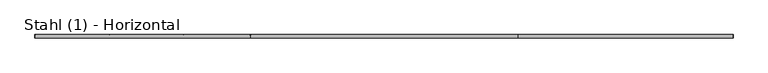
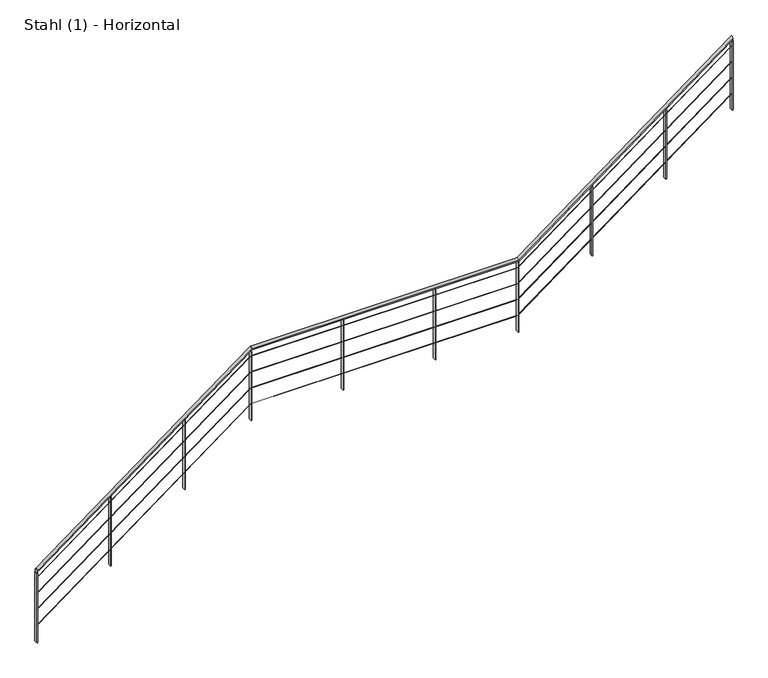
"""IFC4 building model written with IfcOpenShell, lengths in millimetres: railing geometry, Stahl (1) - Horizontal."""

from ifc_helpers import new_model, si_unit, frame, origin, place, context, project, spatial, polyline, ellipse_curve, outline, extrude, source, transform, mapped, element, save
from ifc_brep_helpers import plane_surface, cylinder_surface, advanced_brep


def stahl_1_horizontal_beeb22d8(model_context):
    return source(origin(), model_context, "Body", "SolidModel", [
        advanced_brep(
        [(-13549.4078582, 4913.8929131, 4785.0587002), (-13549.4078582, 4873.8929131, 4785.0587002), (-10992.7761137, 4913.8929131, 6690.0), (-10992.7761137, 4873.8929131, 6690.0), (-7819.9089492, 4913.8929131, 6690.0), (-7819.9089492, 4873.8929131, 6690.0), (-5276.5406936, 4913.8929131, 8585.0587002), (-5276.5406936, 4873.8929131, 8585.0587002)],
        [
            (0, 1, ellipse_curve(frame((-13549.4078582, 4893.8929131, 4785.0587002), z_axis=(-1.0, 0.0, 0.0), x_axis=(0.0, 0.0, -1.0)), 24.9412998, 20.0)),
            (1, 0, ellipse_curve(frame((-13549.4078582, 4893.8929131, 4785.0587002), z_axis=(-1.0, 0.0, 0.0), x_axis=(0.0, 0.0, -1.0)), 24.9412998, 20.0)),
            (0, 2),
            (2, 3, ellipse_curve(frame((-10992.7761137, 4893.8929131, 6690.0), z_axis=(-0.9491793370099769, 0.0, -0.31473574025410667), x_axis=(0.31473574025410617, 0.0, -0.9491793370099771)), 21.0708337, 20.0)),
            (3, 1),
            (3, 2, ellipse_curve(frame((-10992.7761137, 4893.8929131, 6690.0), z_axis=(-0.9491793370099769, 0.0, -0.31473574025410667), x_axis=(0.31473574025410617, 0.0, -0.9491793370099771)), 21.0708337, 20.0)),
            (2, 4),
            (4, 5, ellipse_curve(frame((-7819.9089492, 4893.8929131, 6690.0), z_axis=(-0.9491793370099771, 0.0, -0.31473574025410656), x_axis=(-0.3147357402541059, 0.0, 0.949179337009977)), 21.0708337, 20.0)),
            (5, 3),
            (5, 4, ellipse_curve(frame((-7819.9089492, 4893.8929131, 6690.0), z_axis=(-0.9491793370099771, 0.0, -0.31473574025410656), x_axis=(-0.3147357402541059, 0.0, 0.949179337009977)), 21.0708337, 20.0)),
            (6, 7, ellipse_curve(frame((-5276.5406936, 4893.8929131, 8585.0587002), z_axis=(1.0, 0.0, 0.0), x_axis=(0.0, 0.0, -0.9999999999999999)), 24.9412998, 20.0)),
            (7, 6, ellipse_curve(frame((-5276.5406936, 4893.8929131, 8585.0587002), z_axis=(1.0, 0.0, 0.0), x_axis=(0.0, 0.0, -0.9999999999999999)), 24.9412998, 20.0)),
            (4, 6),
            (7, 5),
        ],
        [
            plane_surface(frame((-13549.4078582, 4893.8929131, 4810.0), z_axis=(-1.0, 0.0, 0.0), x_axis=(0.0, 1.0, 0.0))),
            cylinder_surface(frame((-13537.4582317, 4893.8929131, 4793.9623434), z_axis=(-0.8018828276133991, 0.0, -0.5974813225354746), x_axis=(0.0, -1.0, 0.0)), 20.0),
            cylinder_surface(frame((-10999.4078582, 4893.8929131, 6690.0), z_axis=(-1.0, 0.0, 0.0), x_axis=(0.0, -1.0, 0.0)), 20.0),
            plane_surface(frame((-5276.5406936, 4893.8929131, 8610.0), z_axis=(1.0, 0.0, 0.0), x_axis=(0.0, 1.0, 0.0))),
            cylinder_surface(frame((-7814.5910672, 4893.8929131, 6693.9623434), z_axis=(-0.8018828276133992, 0.0, -0.5974813225354743), x_axis=(0.0, -1.0, 0.0)), 20.0),
        ],
        [
            (0, [[1, 2]]),
            (1, [[-1, 3, 4, 5]]),
            (1, [[-2, -5, 6, -3]]),
            (2, [[-4, 7, 8, 9]]),
            (2, [[-6, -9, 10, -7]]),
            (3, [[11, 12]]),
            (4, [[-8, 13, -12, 14]]),
            (4, [[-10, -14, -11, -13]]),
        ],
    ),
        advanced_brep(
        [(-13549.4078582, 4895.3929131, 4688.1294025), (-13549.4078582, 4892.3929131, 4688.1294025), (-10998.9104773, 4895.3929131, 6588.5), (-10998.9104773, 4892.3929131, 6588.5), (-7826.0433128, 4895.3929131, 6588.5), (-7826.0433128, 4892.3929131, 6588.5), (-5276.5406936, 4895.3929131, 8488.1294025), (-5276.5406936, 4892.3929131, 8488.1294025)],
        [
            (0, 1, ellipse_curve(frame((-13549.4078582, 4893.8929131, 4688.1294025), z_axis=(-1.0, 0.0, 0.0), x_axis=(0.0, 0.0, -1.0)), 1.8705975, 1.5)),
            (1, 0, ellipse_curve(frame((-13549.4078582, 4893.8929131, 4688.1294025), z_axis=(-1.0, 0.0, 0.0), x_axis=(0.0, 0.0, -1.0)), 1.8705975, 1.5)),
            (0, 2),
            (2, 3, ellipse_curve(frame((-10998.9104773, 4893.8929131, 6588.5), z_axis=(-0.9491793370099769, 0.0, -0.31473574025410667), x_axis=(0.31473574025410617, 0.0, -0.9491793370099771)), 1.5803125, 1.5)),
            (3, 1),
            (3, 2, ellipse_curve(frame((-10998.9104773, 4893.8929131, 6588.5), z_axis=(-0.9491793370099769, 0.0, -0.31473574025410667), x_axis=(0.31473574025410617, 0.0, -0.9491793370099771)), 1.5803125, 1.5)),
            (2, 4),
            (4, 5, ellipse_curve(frame((-7826.0433128, 4893.8929131, 6588.5), z_axis=(-0.9491793370099771, 0.0, -0.31473574025410656), x_axis=(-0.3147357402541059, 0.0, 0.949179337009977)), 1.5803125, 1.5)),
            (5, 3),
            (5, 4, ellipse_curve(frame((-7826.0433128, 4893.8929131, 6588.5), z_axis=(-0.9491793370099771, 0.0, -0.31473574025410656), x_axis=(-0.3147357402541059, 0.0, 0.949179337009977)), 1.5803125, 1.5)),
            (6, 7, ellipse_curve(frame((-5276.5406936, 4893.8929131, 8488.1294025), z_axis=(1.0, 0.0, 0.0), x_axis=(0.0, 0.0, -0.9999999999999999)), 1.8705975, 1.5)),
            (7, 6, ellipse_curve(frame((-5276.5406936, 4893.8929131, 8488.1294025), z_axis=(1.0, 0.0, 0.0), x_axis=(0.0, 0.0, -0.9999999999999999)), 1.8705975, 1.5)),
            (4, 6),
            (7, 5),
        ],
        [
            plane_surface(frame((-13549.4078582, 4893.8929131, 4690.0), z_axis=(-1.0, 0.0, 0.0), x_axis=(0.0, 1.0, 0.0))),
            cylinder_surface(frame((-13548.5116362, 4893.8929131, 4688.7971758), z_axis=(-0.8018828276133991, 0.0, -0.5974813225354746), x_axis=(0.0, -1.0, 0.0)), 1.5),
            cylinder_surface(frame((-10999.4078582, 4893.8929131, 6588.5), z_axis=(-1.0, 0.0, 0.0), x_axis=(0.0, -1.0, 0.0)), 1.5),
            plane_surface(frame((-5276.5406936, 4893.8929131, 8490.0), z_axis=(1.0, 0.0, 0.0), x_axis=(0.0, 1.0, 0.0))),
            cylinder_surface(frame((-7825.6444716, 4893.8929131, 6588.7971758), z_axis=(-0.8018828276133992, 0.0, -0.5974813225354743), x_axis=(0.0, -1.0, 0.0)), 1.5),
        ],
        [
            (0, [[1, 2]]),
            (1, [[-1, 3, 4, 5]]),
            (1, [[-2, -5, 6, -3]]),
            (2, [[-4, 7, 8, 9]]),
            (2, [[-6, -9, 10, -7]]),
            (3, [[11, 12]]),
            (4, [[-8, 13, -12, 14]]),
            (4, [[-10, -14, -11, -13]]),
        ],
    ),
        advanced_brep(
        [(-13549.4078582, 4895.3929131, 4488.1294025), (-13549.4078582, 4892.3929131, 4488.1294025), (-10998.9104773, 4895.3929131, 6388.5), (-10998.9104773, 4892.3929131, 6388.5), (-7826.0433128, 4895.3929131, 6388.5), (-7826.0433128, 4892.3929131, 6388.5), (-5276.5406936, 4895.3929131, 8288.1294025), (-5276.5406936, 4892.3929131, 8288.1294025)],
        [
            (0, 1, ellipse_curve(frame((-13549.4078582, 4893.8929131, 4488.1294025), z_axis=(-1.0, 0.0, 0.0), x_axis=(0.0, 0.0, -1.0)), 1.8705975, 1.5)),
            (1, 0, ellipse_curve(frame((-13549.4078582, 4893.8929131, 4488.1294025), z_axis=(-1.0, 0.0, 0.0), x_axis=(0.0, 0.0, -1.0)), 1.8705975, 1.5)),
            (0, 2),
            (2, 3, ellipse_curve(frame((-10998.9104773, 4893.8929131, 6388.5), z_axis=(-0.9491793370099769, 0.0, -0.31473574025410667), x_axis=(0.31473574025410617, 0.0, -0.9491793370099771)), 1.5803125, 1.5)),
            (3, 1),
            (3, 2, ellipse_curve(frame((-10998.9104773, 4893.8929131, 6388.5), z_axis=(-0.9491793370099769, 0.0, -0.31473574025410667), x_axis=(0.31473574025410617, 0.0, -0.9491793370099771)), 1.5803125, 1.5)),
            (2, 4),
            (4, 5, ellipse_curve(frame((-7826.0433128, 4893.8929131, 6388.5), z_axis=(-0.9491793370099771, 0.0, -0.31473574025410656), x_axis=(-0.3147357402541059, 0.0, 0.949179337009977)), 1.5803125, 1.5)),
            (5, 3),
            (5, 4, ellipse_curve(frame((-7826.0433128, 4893.8929131, 6388.5), z_axis=(-0.9491793370099771, 0.0, -0.31473574025410656), x_axis=(-0.3147357402541059, 0.0, 0.949179337009977)), 1.5803125, 1.5)),
            (6, 7, ellipse_curve(frame((-5276.5406936, 4893.8929131, 8288.1294025), z_axis=(1.0, 0.0, 0.0), x_axis=(0.0, 0.0, -0.9999999999999999)), 1.8705975, 1.5)),
            (7, 6, ellipse_curve(frame((-5276.5406936, 4893.8929131, 8288.1294025), z_axis=(1.0, 0.0, 0.0), x_axis=(0.0, 0.0, -0.9999999999999999)), 1.8705975, 1.5)),
            (4, 6),
            (7, 5),
        ],
        [
            plane_surface(frame((-13549.4078582, 4893.8929131, 4490.0), z_axis=(-1.0, 0.0, 0.0), x_axis=(0.0, 1.0, 0.0))),
            cylinder_surface(frame((-13548.5116362, 4893.8929131, 4488.7971758), z_axis=(-0.8018828276133991, 0.0, -0.5974813225354746), x_axis=(0.0, -1.0, 0.0)), 1.5),
            cylinder_surface(frame((-10999.4078582, 4893.8929131, 6388.5), z_axis=(-1.0, 0.0, 0.0), x_axis=(0.0, -1.0, 0.0)), 1.5),
            plane_surface(frame((-5276.5406936, 4893.8929131, 8290.0), z_axis=(1.0, 0.0, 0.0), x_axis=(0.0, 1.0, 0.0))),
            cylinder_surface(frame((-7825.6444716, 4893.8929131, 6388.7971758), z_axis=(-0.8018828276133992, 0.0, -0.5974813225354743), x_axis=(0.0, -1.0, 0.0)), 1.5),
        ],
        [
            (0, [[1, 2]]),
            (1, [[-1, 3, 4, 5]]),
            (1, [[-2, -5, 6, -3]]),
            (2, [[-4, 7, 8, 9]]),
            (2, [[-6, -9, 10, -7]]),
            (3, [[11, 12]]),
            (4, [[-8, 13, -12, 14]]),
            (4, [[-10, -14, -11, -13]]),
        ],
    ),
        advanced_brep(
        [(-13549.4078582, 4895.3929131, 4288.1294025), (-13549.4078582, 4892.3929131, 4288.1294025), (-10998.9104773, 4895.3929131, 6188.5), (-10998.9104773, 4892.3929131, 6188.5), (-7826.0433128, 4895.3929131, 6188.5), (-7826.0433128, 4892.3929131, 6188.5), (-5276.5406936, 4895.3929131, 8088.1294025), (-5276.5406936, 4892.3929131, 8088.1294025)],
        [
            (0, 1, ellipse_curve(frame((-13549.4078582, 4893.8929131, 4288.1294025), z_axis=(-1.0, 0.0, 0.0), x_axis=(0.0, 0.0, -1.0)), 1.8705975, 1.5)),
            (1, 0, ellipse_curve(frame((-13549.4078582, 4893.8929131, 4288.1294025), z_axis=(-1.0, 0.0, 0.0), x_axis=(0.0, 0.0, -1.0)), 1.8705975, 1.5)),
            (0, 2),
            (2, 3, ellipse_curve(frame((-10998.9104773, 4893.8929131, 6188.5), z_axis=(-0.9491793370099769, 0.0, -0.31473574025410667), x_axis=(0.31473574025410617, 0.0, -0.9491793370099771)), 1.5803125, 1.5)),
            (3, 1),
            (3, 2, ellipse_curve(frame((-10998.9104773, 4893.8929131, 6188.5), z_axis=(-0.9491793370099769, 0.0, -0.31473574025410667), x_axis=(0.31473574025410617, 0.0, -0.9491793370099771)), 1.5803125, 1.5)),
            (2, 4),
            (4, 5, ellipse_curve(frame((-7826.0433128, 4893.8929131, 6188.5), z_axis=(-0.9491793370099771, 0.0, -0.31473574025410656), x_axis=(-0.3147357402541059, 0.0, 0.949179337009977)), 1.5803125, 1.5)),
            (5, 3),
            (5, 4, ellipse_curve(frame((-7826.0433128, 4893.8929131, 6188.5), z_axis=(-0.9491793370099771, 0.0, -0.31473574025410656), x_axis=(-0.3147357402541059, 0.0, 0.949179337009977)), 1.5803125, 1.5)),
            (6, 7, ellipse_curve(frame((-5276.5406936, 4893.8929131, 8088.1294025), z_axis=(1.0, 0.0, 0.0), x_axis=(0.0, 0.0, -0.9999999999999999)), 1.8705975, 1.5)),
            (7, 6, ellipse_curve(frame((-5276.5406936, 4893.8929131, 8088.1294025), z_axis=(1.0, 0.0, 0.0), x_axis=(0.0, 0.0, -0.9999999999999999)), 1.8705975, 1.5)),
            (4, 6),
            (7, 5),
        ],
        [
            plane_surface(frame((-13549.4078582, 4893.8929131, 4290.0), z_axis=(-1.0, 0.0, 0.0), x_axis=(0.0, 1.0, 0.0))),
            cylinder_surface(frame((-13548.5116362, 4893.8929131, 4288.7971758), z_axis=(-0.8018828276133991, 0.0, -0.5974813225354746), x_axis=(0.0, -1.0, 0.0)), 1.5),
            cylinder_surface(frame((-10999.4078582, 4893.8929131, 6188.5), z_axis=(-1.0, 0.0, 0.0), x_axis=(0.0, -1.0, 0.0)), 1.5),
            plane_surface(frame((-5276.5406936, 4893.8929131, 8090.0), z_axis=(1.0, 0.0, 0.0), x_axis=(0.0, 1.0, 0.0))),
            cylinder_surface(frame((-7825.6444716, 4893.8929131, 6188.7971758), z_axis=(-0.8018828276133992, 0.0, -0.5974813225354743), x_axis=(0.0, -1.0, 0.0)), 1.5),
        ],
        [
            (0, [[1, 2]]),
            (1, [[-1, 3, 4, 5]]),
            (1, [[-2, -5, 6, -3]]),
            (2, [[-4, 7, 8, 9]]),
            (2, [[-6, -9, 10, -7]]),
            (3, [[11, 12]]),
            (4, [[-8, 13, -12, 14]]),
            (4, [[-10, -14, -11, -13]]),
        ],
    ),
        advanced_brep(
        [(-13549.4078582, 4895.3929131, 4088.1294025), (-13549.4078582, 4892.3929131, 4088.1294025), (-10998.9104773, 4895.3929131, 5988.5), (-10998.9104773, 4892.3929131, 5988.5), (-7826.0433128, 4895.3929131, 5988.5), (-7826.0433128, 4892.3929131, 5988.5), (-5276.5406936, 4895.3929131, 7888.1294025), (-5276.5406936, 4892.3929131, 7888.1294025)],
        [
            (0, 1, ellipse_curve(frame((-13549.4078582, 4893.8929131, 4088.1294025), z_axis=(-1.0, 0.0, 0.0), x_axis=(0.0, 0.0, -1.0)), 1.8705975, 1.5)),
            (1, 0, ellipse_curve(frame((-13549.4078582, 4893.8929131, 4088.1294025), z_axis=(-1.0, 0.0, 0.0), x_axis=(0.0, 0.0, -1.0)), 1.8705975, 1.5)),
            (0, 2),
            (2, 3, ellipse_curve(frame((-10998.9104773, 4893.8929131, 5988.5), z_axis=(-0.9491793370099769, 0.0, -0.31473574025410667), x_axis=(0.31473574025410617, 0.0, -0.9491793370099771)), 1.5803125, 1.5)),
            (3, 1),
            (3, 2, ellipse_curve(frame((-10998.9104773, 4893.8929131, 5988.5), z_axis=(-0.9491793370099769, 0.0, -0.31473574025410667), x_axis=(0.31473574025410617, 0.0, -0.9491793370099771)), 1.5803125, 1.5)),
            (2, 4),
            (4, 5, ellipse_curve(frame((-7826.0433128, 4893.8929131, 5988.5), z_axis=(-0.9491793370099771, 0.0, -0.31473574025410656), x_axis=(-0.3147357402541059, 0.0, 0.949179337009977)), 1.5803125, 1.5)),
            (5, 3),
            (5, 4, ellipse_curve(frame((-7826.0433128, 4893.8929131, 5988.5), z_axis=(-0.9491793370099771, 0.0, -0.31473574025410656), x_axis=(-0.3147357402541059, 0.0, 0.949179337009977)), 1.5803125, 1.5)),
            (6, 7, ellipse_curve(frame((-5276.5406936, 4893.8929131, 7888.1294025), z_axis=(1.0, 0.0, 0.0), x_axis=(0.0, 0.0, -0.9999999999999999)), 1.8705975, 1.5)),
            (7, 6, ellipse_curve(frame((-5276.5406936, 4893.8929131, 7888.1294025), z_axis=(1.0, 0.0, 0.0), x_axis=(0.0, 0.0, -0.9999999999999999)), 1.8705975, 1.5)),
            (4, 6),
            (7, 5),
        ],
        [
            plane_surface(frame((-13549.4078582, 4893.8929131, 4090.0), z_axis=(-1.0, 0.0, 0.0), x_axis=(0.0, 1.0, 0.0))),
            cylinder_surface(frame((-13548.5116362, 4893.8929131, 4088.7971758), z_axis=(-0.8018828276133991, 0.0, -0.5974813225354746), x_axis=(0.0, -1.0, 0.0)), 1.5),
            cylinder_surface(frame((-10999.4078582, 4893.8929131, 5988.5), z_axis=(-1.0, 0.0, 0.0), x_axis=(0.0, -1.0, 0.0)), 1.5),
            plane_surface(frame((-5276.5406936, 4893.8929131, 7890.0), z_axis=(1.0, 0.0, 0.0), x_axis=(0.0, 1.0, 0.0))),
            cylinder_surface(frame((-7825.6444716, 4893.8929131, 5988.7971758), z_axis=(-0.8018828276133992, 0.0, -0.5974813225354743), x_axis=(0.0, -1.0, 0.0)), 1.5),
        ],
        [
            (0, [[1, 2]]),
            (1, [[-1, 3, 4, 5]]),
            (1, [[-2, -5, 6, -3]]),
            (2, [[-4, 7, 8, 9]]),
            (2, [[-6, -9, 10, -7]]),
            (3, [[11, 12]]),
            (4, [[-8, 13, -12, 14]]),
            (4, [[-10, -14, -11, -13]]),
        ],
    ),
        extrude(outline(polyline([(7967.4818358, -6071.920004), (7100.3448276, -6071.920004), (7100.3448276, -6063.920004), (7973.4426202, -6063.920004), (7967.4818358, -6071.920004)])), frame((0.0, 4873.8929131, 0.0), z_axis=(0.0, 1.0, 0.0), x_axis=(0.0, 0.0, 1.0)), (0.0, 0.0, 1.0), 40.0),
        extrude(outline(polyline([(7312.3094221, -6951.2303488), (6445.1724138, -6951.2303488), (6445.1724138, -6943.2303488), (7318.2702064, -6943.2303488), (7312.3094221, -6951.2303488)])), frame((0.0, 4873.8929131, 0.0), z_axis=(0.0, 1.0, 0.0), x_axis=(0.0, 0.0, 1.0)), (0.0, 0.0, 1.0), 40.0),
        extrude(outline(polyline([(-8815.2236067, 4873.8929131), (-8815.2236067, 4913.8929131), (-8807.2236067, 4913.8929131), (-8807.2236067, 4873.8929131), (-8815.2236067, 4873.8929131)])), frame((0.0, 0.0, 5790.0), z_axis=(0.0, 0.0, 1.0), x_axis=(1.0, 0.0, 0.0)), (0.0, 0.0, 1.0), 880.0),
        extrude(outline(polyline([(-9909.3157325, 4873.8929131), (-9909.3157325, 4913.8929131), (-9901.3157325, 4913.8929131), (-9901.3157325, 4873.8929131), (-9909.3157325, 4873.8929131)])), frame((0.0, 0.0, 5790.0), z_axis=(0.0, 0.0, 1.0), x_axis=(1.0, 0.0, 0.0)), (0.0, 0.0, 1.0), 880.0),
        extrude(outline(polyline([(6067.4818358, -11794.7871685), (5200.3448276, -11794.7871685), (5200.3448276, -11786.7871685), (6073.4426202, -11786.7871685), (6067.4818358, -11794.7871685)])), frame((0.0, 4873.8929131, 0.0), z_axis=(0.0, 1.0, 0.0), x_axis=(0.0, 0.0, 1.0)), (0.0, 0.0, 1.0), 40.0),
        extrude(outline(polyline([(5412.3094221, -12674.0975133), (4545.1724138, -12674.0975133), (4545.1724138, -12666.0975133), (5418.2702064, -12666.0975133), (5412.3094221, -12674.0975133)])), frame((0.0, 4873.8929131, 0.0), z_axis=(0.0, 1.0, 0.0), x_axis=(0.0, 0.0, 1.0)), (0.0, 0.0, 1.0), 40.0),
        extrude(outline(polyline([(-7830.5406936, 4873.8929131), (-7830.5406936, 4913.8929131), (-7822.5406936, 4913.8929131), (-7822.5406936, 4873.8929131), (-7830.5406936, 4873.8929131)])), frame((0.0, 0.0, 5790.0), z_axis=(0.0, 0.0, 1.0), x_axis=(1.0, 0.0, 0.0)), (0.0, 0.0, 1.0), 880.0),
        extrude(outline(polyline([(6657.1370083, -11003.4078582), (5790.0, -11003.4078582), (5790.0, -10995.4078582), (6663.0977926, -10995.4078582), (6657.1370083, -11003.4078582)])), frame((0.0, 4873.8929131, 0.0), z_axis=(0.0, 1.0, 0.0), x_axis=(0.0, 0.0, 1.0)), (0.0, 0.0, 1.0), 40.0),
        extrude(outline(polyline([(8557.1370083, -5280.5406936), (7690.0, -5280.5406936), (7690.0, -5272.5406936), (8563.0977926, -5272.5406936), (8557.1370083, -5280.5406936)])), frame((0.0, 4873.8929131, 0.0), z_axis=(0.0, 1.0, 0.0), x_axis=(0.0, 0.0, 1.0)), (0.0, 0.0, 1.0), 40.0),
        extrude(outline(polyline([(4757.1370083, -13553.4078582), (3890.0, -13553.4078582), (3890.0, -13545.4078582), (4763.0977926, -13545.4078582), (4757.1370083, -13553.4078582)])), frame((0.0, 4873.8929131, 0.0), z_axis=(0.0, 1.0, 0.0), x_axis=(0.0, 0.0, 1.0)), (0.0, 0.0, 1.0), 40.0),
    ])


if __name__ == "__main__":
    model = new_model("IFC4")
    model_context = context("Model", 3, world=origin())
    ifc_project = project(units=[si_unit("LENGTHUNIT", "METRE", prefix="MILLI")], contexts=[model_context])
    site = spatial("IfcSite", under=ifc_project)
    building = spatial("IfcBuilding", under=site)
    placement = place(None, origin())
    stahl_1_horizontal_shape = stahl_1_horizontal_beeb22d8(model_context)
    element("IfcRailing", 1, ObjectType="Stahl (1) - Horizontal", at=placement, inside=building, context=model_context, shape_type="MappedRepresentation", body=[
        mapped(stahl_1_horizontal_shape, transform((0.0, 0.0, 0.0), x_axis=(1.0, 0.0, 0.0), y_axis=(0.0, 1.0, 0.0), z_axis=(0.0, 0.0, 1.0))),
    ])
    save(model, "model.ifc")
